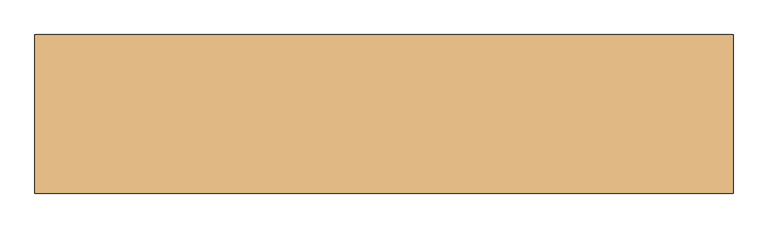
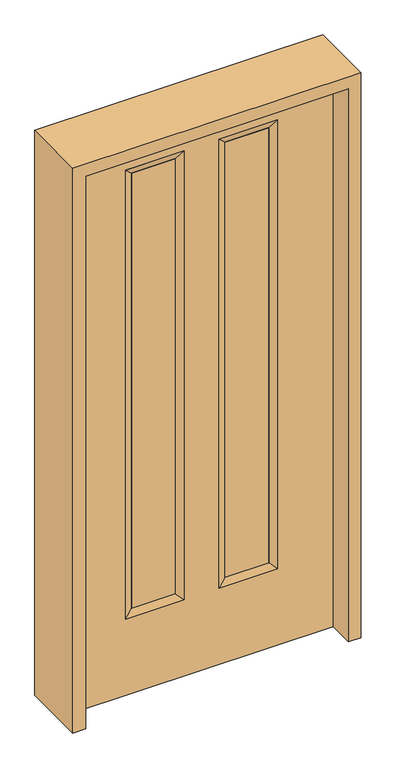
"""IFC4 building model written with IfcOpenShell, lengths in millimetres: door geometry."""

from ifc_helpers import new_model, si_unit, frame, origin, place, context, project, spatial, polyline, outline, extrude, faceted_brep, source, transform, mapped, element, save


def door_36bbe144(model_context):
    return source(origin(), model_context, "Body", "SolidModel", [
        extrude(outline(polyline([(-86.614, -12.7039749), (-239.014, -12.7039749), (-239.014, 14.2875), (-86.614, 14.2875), (-86.614, -12.7039749)])), frame((0.0, 0.0, 304.8), z_axis=(0.0, 0.0, 1.0), x_axis=(1.0, 0.0, 0.0)), (0.0, 0.0, 1.0), 1600.2),
        extrude(outline(polyline([(239.014, -12.7039749), (86.614, -12.7039749), (86.614, 14.2875), (239.014, 14.2875), (239.014, -12.7039749)])), frame((0.0, 0.0, 304.8), z_axis=(0.0, 0.0, 1.0), x_axis=(1.0, 0.0, 0.0)), (0.0, 0.0, 1.0), 1600.2),
        faceted_brep([(264.414, 22.225, 1930.4), (239.014, 14.2875, 1905.0), (86.614, 14.2875, 1905.0), (61.214, 22.225, 1930.4), (239.014, -12.7039749, 1905.0), (86.614, -12.7039749, 1905.0), (264.414, -22.225, 1930.4), (61.214, -22.225, 1930.4), (86.614, 14.2875, 304.8), (61.214, 22.225, 279.4), (86.614, -12.7039749, 304.8), (61.214, -22.225, 279.4), (239.014, 14.2875, 304.8), (264.414, 22.225, 279.4), (239.014, -12.7039749, 304.8), (264.414, -22.225, 279.4)], [[[0, 1, 2, 3]], [[1, 4, 5, 2]], [[4, 6, 7, 5]], [[6, 0, 3, 7]], [[3, 2, 8, 9]], [[2, 5, 10, 8]], [[5, 7, 11, 10]], [[7, 3, 9, 11]], [[9, 8, 12, 13]], [[8, 10, 14, 12]], [[10, 11, 15, 14]], [[11, 9, 13, 15]], [[13, 12, 1, 0]], [[12, 14, 4, 1]], [[14, 15, 6, 4]], [[15, 13, 0, 6]]]),
        faceted_brep([(-239.014, 14.2875, 1905.0), (-264.414, 22.225, 1930.4), (-61.214, 22.225, 1930.4), (-86.614, 14.2875, 1905.0), (-239.014, -12.7039749, 1905.0), (-86.614, -12.7039749, 1905.0), (-264.414, -22.225, 1930.4), (-61.214, -22.225, 1930.4), (-61.214, 22.225, 279.4), (-86.614, 14.2875, 304.8), (-86.614, -12.7039749, 304.8), (-61.214, -22.225, 279.4), (-264.414, 22.225, 279.4), (-239.014, 14.2875, 304.8), (-239.014, -12.7039749, 304.8), (-264.414, -22.225, 279.4)], [[[0, 1, 2, 3]], [[4, 0, 3, 5]], [[6, 4, 5, 7]], [[1, 6, 7, 2]], [[3, 2, 8, 9]], [[5, 3, 9, 10]], [[7, 5, 10, 11]], [[2, 7, 11, 8]], [[9, 8, 12, 13]], [[10, 9, 13, 14]], [[11, 10, 14, 15]], [[8, 11, 15, 12]], [[13, 12, 1, 0]], [[14, 13, 0, 4]], [[15, 14, 4, 6]], [[12, 15, 6, 1]]]),
        extrude(outline(polyline([(0.0, -457.2), (0.0, 457.2), (2032.0, 457.2), (2032.0, -457.2), (0.0, -457.2)]), holes=[polyline([(279.4, -264.414), (1930.4, -264.414), (1930.4, -61.214), (279.4, -61.214), (279.4, -264.414)]), polyline([(279.4, 61.214), (1930.4, 61.214), (1930.4, 264.414), (279.4, 264.414), (279.4, 61.214)])]), frame((0.0, -22.225, 0.0), z_axis=(0.0, 1.0, 0.0), x_axis=(0.0, 0.0, 1.0)), (0.0, 0.0, 1.0), 44.45),
        extrude(outline(polyline([(0.0, -501.65), (0.0, -457.2), (2032.0, -457.2), (2032.0, 457.2), (0.0, 457.2), (0.0, 501.65), (2076.45, 501.65), (2076.45, -501.65), (0.0, -501.65)])), frame((0.0, -114.3, 0.0), z_axis=(0.0, 1.0, 0.0), x_axis=(0.0, 0.0, 1.0)), (0.0, 0.0, 1.0), 228.6),
    ])


if __name__ == "__main__":
    model = new_model("IFC4")
    model_context = context("Model", 3, world=origin())
    ifc_project = project(units=[si_unit("LENGTHUNIT", "METRE", prefix="MILLI")], contexts=[model_context])
    site = spatial("IfcSite", under=ifc_project)
    building = spatial("IfcBuilding", under=site)
    placement = place(None, origin())
    door_shape = door_36bbe144(model_context)
    element("IfcDoor", 1, at=placement, inside=building, context=model_context, shape_type="MappedRepresentation", body=[
        mapped(door_shape, transform((0.0, 0.0, 0.0), x_axis=(1.0, 0.0, 0.0), y_axis=(0.0, 1.0, 0.0), z_axis=(0.0, 0.0, 1.0))),
    ])
    save(model, "model.ifc")
